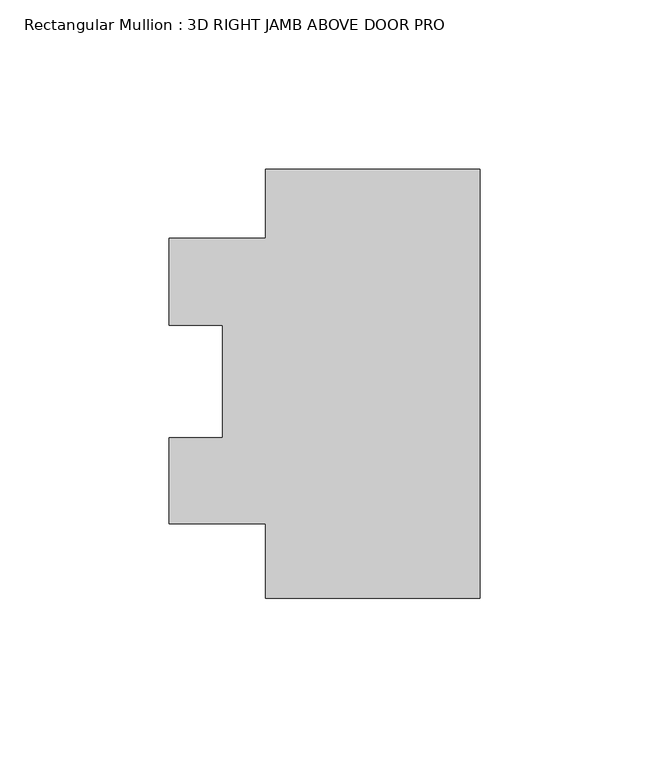
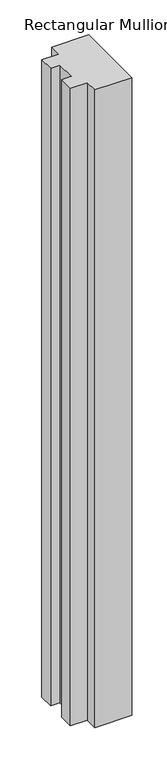
"""IFC4 building model written with IfcOpenShell, lengths in millimetres: member geometry, Rectangular Mullion : 3D RIGHT JAMB ABOVE DOOR PRO."""

from ifc_helpers import new_model, si_unit, frame, origin, place, context, project, spatial, polyline, outline, extrude, source, transform, mapped, element, save


def rectangular_mullion_3d_right_jamb_above_door_pro_41830213(model_context):
    return source(origin(), model_context, "Body", "SweptSolid", [
        extrude(outline(polyline([(-63.5, -64.30197), (-63.5, -42.17857), (-92.075, -42.17857), (-92.075, -16.8479013), (-76.2, -16.8479013), (-76.2, 16.51512), (-92.075, 16.51512), (-92.075, 42.14943), (-63.5, 42.14943), (-63.5, 62.69803), (0.0, 62.69803), (0.0, -64.30197), (-63.5, -64.30197)])), frame((0.0, 0.0, -1149.35), z_axis=(0.0, 0.0, 1.0), x_axis=(1.0, 0.0, 0.0)), (0.0, 0.0, 1.0), 1149.35),
    ])


if __name__ == "__main__":
    model = new_model("IFC4")
    model_context = context("Model", 3, world=origin())
    ifc_project = project(units=[si_unit("LENGTHUNIT", "METRE", prefix="MILLI")], contexts=[model_context])
    site = spatial("IfcSite", under=ifc_project)
    building = spatial("IfcBuilding", under=site)
    placement = place(None, origin())
    rectangular_mullion_3d_right_jamb_above_door_pro_shape = rectangular_mullion_3d_right_jamb_above_door_pro_41830213(model_context)
    element("IfcMember", 1, ObjectType="Rectangular Mullion : 3D RIGHT JAMB ABOVE DOOR PRO", at=placement, inside=building, context=model_context, shape_type="MappedRepresentation", body=[
        mapped(rectangular_mullion_3d_right_jamb_above_door_pro_shape, transform((0.0, 0.0, 0.0), x_axis=(1.0, 0.0, 0.0), y_axis=(0.0, 1.0, 0.0), z_axis=(0.0, 0.0, 1.0))),
    ])
    save(model, "model.ifc")
